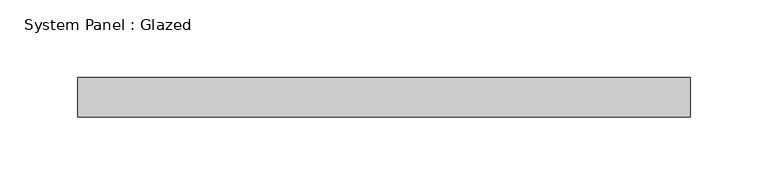
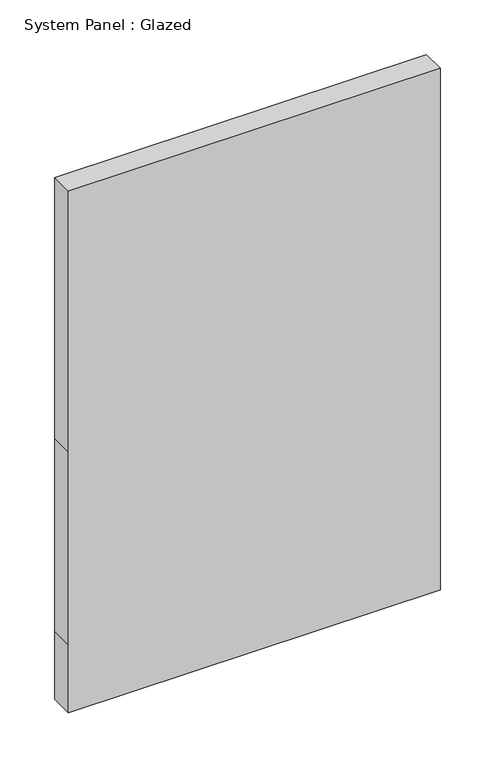
"""IFC4 building model written with IfcOpenShell, lengths in millimetres: plate geometry, System Panel : Glazed."""

from ifc_helpers import new_model, si_unit, frame, origin, place, context, project, spatial, polyline, outline, extrude, source, transform, mapped, element, save


def system_panel_glazed_89aadae3(model_context):
    return source(origin(), model_context, "Body", "SweptSolid", [
        extrude(outline(polyline([(0.0, -196.85), (0.0, 196.85), (76.2, 196.85), (292.1, 196.85), (584.2, 196.85), (584.2, -196.85), (292.1, -196.85), (76.2, -196.85), (0.0, -196.85)])), frame((0.0, 19.05, 0.0), z_axis=(0.0, 1.0, 0.0), x_axis=(0.0, 0.0, 1.0)), (0.0, 0.0, 1.0), 25.4),
    ])


if __name__ == "__main__":
    model = new_model("IFC4")
    model_context = context("Model", 3, world=origin())
    ifc_project = project(units=[si_unit("LENGTHUNIT", "METRE", prefix="MILLI")], contexts=[model_context])
    site = spatial("IfcSite", under=ifc_project)
    building = spatial("IfcBuilding", under=site)
    placement = place(None, origin())
    system_panel_glazed_shape = system_panel_glazed_89aadae3(model_context)
    element("IfcPlate", 1, ObjectType="System Panel : Glazed", at=placement, inside=building, context=model_context, shape_type="MappedRepresentation", body=[
        mapped(system_panel_glazed_shape, transform((0.0, 0.0, 0.0), x_axis=(1.0, 0.0, 0.0), y_axis=(0.0, 1.0, 0.0), z_axis=(0.0, 0.0, 1.0))),
    ])
    save(model, "model.ifc")
